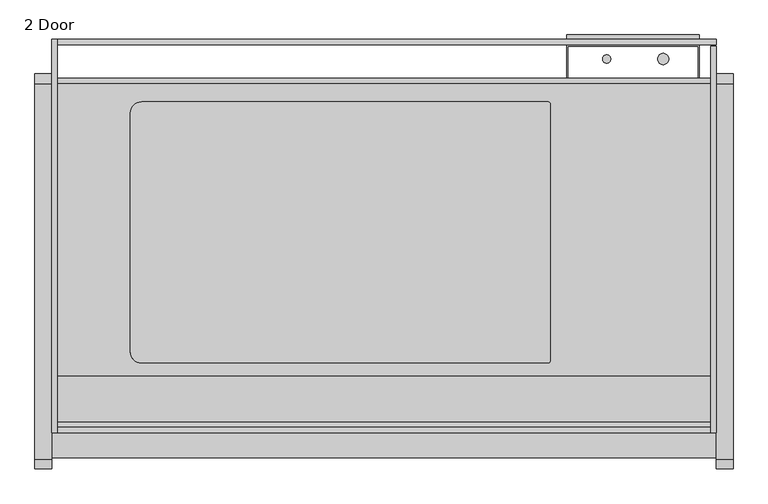
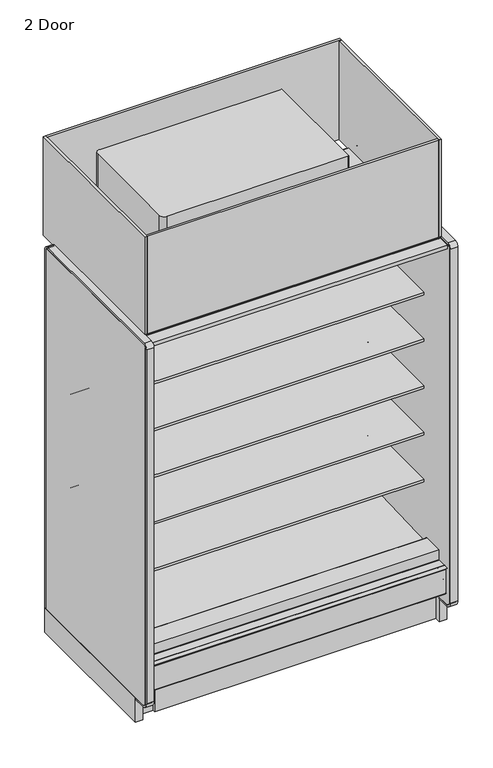
"""IFC4 building model written with IfcOpenShell, lengths in millimetres: proxy geometry, 2 Door."""

from ifc_helpers import new_model, si_unit, point, frame, frame_2d, origin, origin_with_axes, place, context, project, spatial, polyline, circle_curve, trimmed, segment, composite_curve, outline, extrude, source, transform, mapped, element, save


def proxy_2_door_96380830(model_context):
    return source(origin(), model_context, "Body", "SweptSolid", [
        extrude(outline(polyline([(-1104.6571273, 0.0), (-1117.3571273, 0.0), (-1117.3571273, 195.9867506), (-1104.6571273, 185.3301853), (-1104.6571273, 0.0)])), frame((76.2, 0.0, 0.0), z_axis=(1.0, 0.0, 0.0), x_axis=(0.0, 1.0, 0.0)), (0.0, 0.0, 1.0), 1447.8),
        extrude(outline(polyline([(-1076.9207723, 2007.1442562), (-1074.8612926, 2015.4043781), (-1036.8504523, 2005.9272112), (-1039.7781058, 1997.8835493), (-1076.9207723, 2007.1442562)])), frame((76.2, 0.0, 0.0), z_axis=(1.0, 0.0, 0.0), x_axis=(0.0, 1.0, 0.0)), (0.0, 0.0, 1.0), 1447.8),
        extrude(outline(polyline([(1524.0, -361.7071273), (1524.0, -1161.8071273), (0.0, -1161.8071273), (0.0, -361.7071273), (1524.0, -361.7071273)])), frame((0.0, 0.0, 2096.29375), z_axis=(0.0, 0.0, 1.0), x_axis=(1.0, 0.0, 0.0)), (0.0, 0.0, 1.0), 6.35),
        extrude(outline(composite_curve([segment(polyline([(180.975, -976.3814161), (180.975, -428.9752148)]), True, "CONTINUOUS"), segment(trimmed(circle_curve(frame_2d((206.375, -428.9752148)), 25.4), [point((180.975, -428.9752148))], [point((206.375, -403.5752148))], False, "CARTESIAN"), True, "CONTINUOUS"), segment(polyline([(206.375, -403.5752148), (1137.62536, -403.5752148)]), True, "CONTINUOUS"), segment(trimmed(circle_curve(frame_2d((1137.62536, -408.9498548)), 5.37464), [point((1137.62536, -403.5752148))], [point((1143.0, -408.9498548))], False, "CARTESIAN"), True, "CONTINUOUS"), segment(polyline([(1143.0, -408.9498548), (1143.0, -996.4067761)]), True, "CONTINUOUS"), segment(trimmed(circle_curve(frame_2d((1137.62536, -996.4067761)), 5.37464), [point((1143.0, -996.4067761))], [point((1137.62536, -1001.7814161))], False, "CARTESIAN"), True, "CONTINUOUS"), segment(polyline([(1137.62536, -1001.7814161), (206.375, -1001.7814161)]), True, "CONTINUOUS"), segment(trimmed(circle_curve(frame_2d((206.375, -976.3814161)), 25.4), [point((206.375, -1001.7814161))], [point((180.975, -976.3814161))], False, "CARTESIAN"), True, "CONTINUOUS")], self_intersect=False)), frame((0.0, 0.0, 2102.64375), z_axis=(0.0, 0.0, 1.0), x_axis=(1.0, 0.0, 0.0)), (0.0, 0.0, 1.0), 12.7),
        extrude(outline(composite_curve([segment(polyline([(180.975, -976.3814161), (180.975, -428.9752148)]), True, "CONTINUOUS"), segment(trimmed(circle_curve(frame_2d((206.375, -428.9752148)), 25.4), [point((180.975, -428.9752148))], [point((206.375, -403.5752148))], False, "CARTESIAN"), True, "CONTINUOUS"), segment(polyline([(206.375, -403.5752148), (1137.62536, -403.5752148)]), True, "CONTINUOUS"), segment(trimmed(circle_curve(frame_2d((1137.62536, -408.9498548)), 5.37464), [point((1137.62536, -403.5752148))], [point((1143.0, -408.9498548))], False, "CARTESIAN"), True, "CONTINUOUS"), segment(polyline([(1143.0, -408.9498548), (1143.0, -996.4067761)]), True, "CONTINUOUS"), segment(trimmed(circle_curve(frame_2d((1137.62536, -996.4067761)), 5.37464), [point((1143.0, -996.4067761))], [point((1137.62536, -1001.7814161))], False, "CARTESIAN"), True, "CONTINUOUS"), segment(polyline([(1137.62536, -1001.7814161), (206.375, -1001.7814161)]), True, "CONTINUOUS"), segment(trimmed(circle_curve(frame_2d((206.375, -976.3814161)), 25.4), [point((206.375, -1001.7814161))], [point((180.975, -976.3814161))], False, "CARTESIAN"), True, "CONTINUOUS")], self_intersect=False)), frame((0.0, 0.0, 2115.34375), z_axis=(0.0, 0.0, 1.0), x_axis=(1.0, 0.0, 0.0)), (0.0, 0.0, 1.0), 461.75168),
        extrude(outline(polyline([(1524.0, -275.6866697), (1524.0, -1161.8071273), (1511.3, -1161.8071273), (1511.3, -275.6866697), (1524.0, -275.6866697)])), frame((0.0, 0.0, 2096.29375), z_axis=(0.0, 0.0, 1.0), x_axis=(1.0, 0.0, 0.0)), (0.0, 0.0, 1.0), 535.78125),
        extrude(outline(polyline([(12.7, -260.1071273), (12.7, -1161.8071273), (0.0, -1161.8071273), (0.0, -260.1071273), (12.7, -260.1071273)])), frame((0.0, 0.0, 2096.29375), z_axis=(0.0, 0.0, 1.0), x_axis=(1.0, 0.0, 0.0)), (0.0, 0.0, 1.0), 535.78125),
        extrude(outline(polyline([(1524.0, -260.1071273), (1524.0, -272.8071273), (12.7, -272.8071273), (12.7, -260.1071273), (1524.0, -260.1071273)])), frame((0.0, 0.0, 2096.29375), z_axis=(0.0, 0.0, 1.0), x_axis=(1.0, 0.0, 0.0)), (0.0, 0.0, 1.0), 536.1572188),
        extrude(outline(composite_curve([segment(polyline([(-1032.1083773, 2096.29375), (-1161.8071273, 2096.29375), (-1161.8071273, 2632.075), (-1149.113193, 2632.075), (-1149.113193, 2133.6584688)]), True, "CONTINUOUS"), segment(trimmed(circle_curve(frame_2d((-1136.413193, 2133.6584688)), 12.7), [point((-1149.113193, 2133.6584688))], [point((-1136.413193, 2120.9584688))], True, "CARTESIAN"), True, "CONTINUOUS"), segment(polyline([(-1136.413193, 2120.9584688), (-1032.1083773, 2120.9584688), (-1032.1083773, 2096.29375)]), True, "CONTINUOUS")], self_intersect=False)), frame((12.7, 0.0, 0.0), z_axis=(1.0, 0.0, 0.0), x_axis=(0.0, 1.0, 0.0)), (0.0, 0.0, 1.0), 1511.3),
        extrude(outline(polyline([(-349.0071273, 129.3876), (-1037.9873503, 129.3876), (-1192.1324192, 258.7306705), (-1192.1324192, 300.7449388), (-1137.9651974, 300.7449388), (-1137.9651974, 283.9418925), (-1025.3654807, 189.4595117), (-1009.819944, 190.0023738), (-964.4677493, 157.1934642), (-899.9654388, 159.4459345), (-859.8822128, 192.9404113), (-399.8071273, 220.5904298), (-399.8071273, 2043.9583622), (-1134.8551873, 2043.9583622), (-1134.8551873, 2095.5), (-349.0071273, 2095.5), (-349.0071273, 129.3876)])), frame((0.0, 0.0, 0.0), z_axis=(1.0, 0.0, 0.0), x_axis=(0.0, 1.0, 0.0)), (0.0, 0.0, 1.0), 1524.0),
        extrude(outline(polyline([(-394.9429832, 0.0), (-394.9429832, 73.7380382), (-893.6212714, 73.7380382), (-893.6212714, 0.0), (-958.6071273, 0.0), (-958.6071273, 129.3876), (-349.0071273, 129.3876), (-349.0071273, 0.0), (-394.9429832, 0.0)])), frame((0.0, 0.0, 0.0), z_axis=(1.0, 0.0, 0.0), x_axis=(0.0, 1.0, 0.0)), (0.0, 0.0, 1.0), 1524.0),
        extrude(outline(composite_curve([segment(polyline([(-1219.271907, 334.0862), (-1192.8205273, 334.0862)]), True, "CONTINUOUS"), segment(trimmed(circle_curve(frame_2d((-1192.8205273, 332.1304)), 1.9558), [point((-1192.8205273, 334.0862))], [point((-1190.8647273, 332.1304))], False, "CARTESIAN"), True, "CONTINUOUS"), segment(polyline([(-1190.8647273, 332.1304), (-1190.8647273, 321.3862), (-1190.8647273, 300.7449388), (-1192.1324192, 300.7449388), (-1192.1324192, 321.3862), (-1192.1324192, 332.1304)]), True, "CONTINUOUS"), segment(trimmed(circle_curve(frame_2d((-1192.9198192, 332.1304)), 0.7874), [point((-1192.1324192, 332.1304))], [point((-1192.9198192, 332.9178))], True, "CARTESIAN"), True, "CONTINUOUS"), segment(polyline([(-1192.9198192, 332.9178), (-1219.271907, 332.9178), (-1219.271907, 334.0862)]), True, "CONTINUOUS")], self_intersect=False)), frame((0.0, 0.0, 0.0), z_axis=(1.0, 0.0, 0.0), x_axis=(0.0, 1.0, 0.0)), (0.0, 0.0, 1.0), 1524.0),
        extrude(outline(composite_curve([segment(polyline([(-1147.6832716, 221.4334071), (-1204.6262772, 188.5573475)]), True, "CONTINUOUS"), segment(trimmed(circle_curve(frame_2d((-1205.4517772, 189.9871554)), 1.651), [point((-1204.6262772, 188.5573475))], [point((-1207.1027772, 189.9871554))], False, "CARTESIAN"), True, "CONTINUOUS"), segment(polyline([(-1207.1027772, 189.9871554), (-1207.1027772, 191.5746554), (-1207.1027772, 320.4775395), (-1207.1027772, 322.0015395)]), True, "CONTINUOUS"), segment(trimmed(circle_curve(frame_2d((-1205.4517772, 322.0015395)), 1.651), [point((-1207.1027772, 322.0015395))], [point((-1205.4517772, 323.6525395))], False, "CARTESIAN"), True, "CONTINUOUS"), segment(polyline([(-1205.4517772, 323.6525395), (-1199.1652772, 323.6525395), (-1199.1652772, 322.7889395), (-1205.4517772, 322.7889395)]), True, "CONTINUOUS"), segment(trimmed(circle_curve(frame_2d((-1205.4517772, 322.0015395)), 0.7874), [point((-1205.4517772, 322.7889395))], [point((-1206.2391772, 322.0015395))], True, "CARTESIAN"), True, "CONTINUOUS"), segment(polyline([(-1206.2391772, 322.0015395), (-1206.2391772, 320.4775395), (-1206.2391772, 189.9871554)]), True, "CONTINUOUS"), segment(trimmed(circle_curve(frame_2d((-1205.4517772, 189.9871554)), 0.7874), [point((-1206.2391772, 189.9871554))], [point((-1205.0580772, 189.305247))], True, "CARTESIAN"), True, "CONTINUOUS"), segment(polyline([(-1205.0580772, 189.305247), (-1148.3872848, 222.0241443), (-1147.6832716, 221.4334071)]), True, "CONTINUOUS")], self_intersect=False)), frame((0.0, 0.0, 0.0), z_axis=(1.0, 0.0, 0.0), x_axis=(0.0, 1.0, 0.0)), (0.0, 0.0, 1.0), 1524.0),
        extrude(outline(composite_curve([segment(polyline([(-451.3116948, 591.1422184), (-462.4195871, 590.9259013)]), True, "CONTINUOUS"), segment(trimmed(circle_curve(frame_2d((-462.9075328, 615.9819291)), 25.0607786), [point((-462.4195871, 590.9259013))], [point((-478.8148554, 596.6170199))], False, "CARTESIAN"), True, "CONTINUOUS"), segment(polyline([(-478.8148554, 596.6170199), (-517.036556, 627.7002885)]), True, "CONTINUOUS"), segment(trimmed(circle_curve(frame_2d((-557.1010291, 578.4348036)), 63.5), [point((-517.036556, 627.7002885))], [point((-550.2480196, 641.5639274))], True, "CARTESIAN"), True, "CONTINUOUS"), segment(polyline([(-550.2480196, 641.5639274), (-889.6556929, 674.1744175), (-889.6556929, 678.4587439), (-1010.0816513, 678.4587439), (-1010.0816513, 691.9524939), (-451.3116948, 691.9524939), (-451.3116948, 591.1422184)]), True, "CONTINUOUS")], self_intersect=False)), frame((0.0, 0.0, 0.0), z_axis=(1.0, 0.0, 0.0), x_axis=(0.0, 1.0, 0.0)), (0.0, 0.0, 1.0), 1524.0),
        extrude(outline(composite_curve([segment(polyline([(-451.3116948, 845.1422184), (-462.4195871, 844.9259013)]), True, "CONTINUOUS"), segment(trimmed(circle_curve(frame_2d((-462.9075328, 869.9819291)), 25.0607786), [point((-462.4195871, 844.9259013))], [point((-478.8148554, 850.6170199))], False, "CARTESIAN"), True, "CONTINUOUS"), segment(polyline([(-478.8148554, 850.6170199), (-517.036556, 881.7002885)]), True, "CONTINUOUS"), segment(trimmed(circle_curve(frame_2d((-557.1010291, 832.4348036)), 63.5), [point((-517.036556, 881.7002885))], [point((-550.2480196, 895.5639274))], True, "CARTESIAN"), True, "CONTINUOUS"), segment(polyline([(-550.2480196, 895.5639274), (-889.6556929, 928.1744175), (-889.6556929, 932.4587439), (-1010.0816513, 932.4587439), (-1010.0816513, 945.9524939), (-451.3116948, 945.9524939), (-451.3116948, 845.1422184)]), True, "CONTINUOUS")], self_intersect=False)), frame((0.0, 0.0, 0.0), z_axis=(1.0, 0.0, 0.0), x_axis=(0.0, 1.0, 0.0)), (0.0, 0.0, 1.0), 1524.0),
        extrude(outline(composite_curve([segment(polyline([(-451.3116948, 1099.1422184), (-462.4195871, 1098.9259013)]), True, "CONTINUOUS"), segment(trimmed(circle_curve(frame_2d((-462.9075328, 1123.9819291)), 25.0607786), [point((-462.4195871, 1098.9259013))], [point((-478.8148554, 1104.6170199))], False, "CARTESIAN"), True, "CONTINUOUS"), segment(polyline([(-478.8148554, 1104.6170199), (-517.036556, 1135.7002885)]), True, "CONTINUOUS"), segment(trimmed(circle_curve(frame_2d((-557.1010291, 1086.4348036)), 63.5), [point((-517.036556, 1135.7002885))], [point((-550.2480196, 1149.5639274))], True, "CARTESIAN"), True, "CONTINUOUS"), segment(polyline([(-550.2480196, 1149.5639274), (-889.6556929, 1182.1744175), (-889.6556929, 1186.4587439), (-1010.0816513, 1186.4587439), (-1010.0816513, 1199.9524939), (-451.3116948, 1199.9524939), (-451.3116948, 1099.1422184)]), True, "CONTINUOUS")], self_intersect=False)), frame((0.0, 0.0, 0.0), z_axis=(1.0, 0.0, 0.0), x_axis=(0.0, 1.0, 0.0)), (0.0, 0.0, 1.0), 1524.0),
        extrude(outline(composite_curve([segment(polyline([(-451.3116948, 1353.1422184), (-462.4195871, 1352.9259013)]), True, "CONTINUOUS"), segment(trimmed(circle_curve(frame_2d((-462.9075328, 1377.9819291)), 25.0607786), [point((-462.4195871, 1352.9259013))], [point((-478.8148554, 1358.6170199))], False, "CARTESIAN"), True, "CONTINUOUS"), segment(polyline([(-478.8148554, 1358.6170199), (-517.036556, 1389.7002885)]), True, "CONTINUOUS"), segment(trimmed(circle_curve(frame_2d((-557.1010291, 1340.4348036)), 63.5), [point((-517.036556, 1389.7002885))], [point((-550.2480196, 1403.5639274))], True, "CARTESIAN"), True, "CONTINUOUS"), segment(polyline([(-550.2480196, 1403.5639274), (-889.6556929, 1436.1744175), (-889.6556929, 1440.4587439), (-1010.0816513, 1440.4587439), (-1010.0816513, 1453.9524939), (-451.3116948, 1453.9524939), (-451.3116948, 1353.1422184)]), True, "CONTINUOUS")], self_intersect=False)), frame((0.0, 0.0, 0.0), z_axis=(1.0, 0.0, 0.0), x_axis=(0.0, 1.0, 0.0)), (0.0, 0.0, 1.0), 1524.0),
        extrude(outline(polyline([(-1218.7163962, 2070.8112), (-1218.7163962, 2089.15), (-1134.8551873, 2089.15), (-1134.8551873, 2043.9583622), (-1147.784197, 2043.9583622), (-1147.784197, 2070.8112), (-1218.7163962, 2070.8112)])), frame((0.0, 0.0, 0.0), z_axis=(1.0, 0.0, 0.0), x_axis=(0.0, 1.0, 0.0)), (0.0, 0.0, 1.0), 1524.0),
        extrude(outline(polyline([(-1147.784197, 334.0862), (-1141.434197, 334.0862), (-1141.434197, 302.7473029), (-1141.434197, 300.7449388), (-1190.8639311, 300.7449388), (-1190.8657083, 334.0862), (-1147.784197, 334.0862)])), frame((0.0, 0.0, 0.0), z_axis=(1.0, 0.0, 0.0), x_axis=(0.0, 1.0, 0.0)), (0.0, 0.0, 1.0), 1524.0),
        extrude(outline(composite_curve([segment(polyline([(-451.3116948, 1607.1422184), (-462.4195871, 1606.9259013)]), True, "CONTINUOUS"), segment(trimmed(circle_curve(frame_2d((-462.9075328, 1631.9819291)), 25.0607786), [point((-462.4195871, 1606.9259013))], [point((-478.8148554, 1612.6170199))], False, "CARTESIAN"), True, "CONTINUOUS"), segment(polyline([(-478.8148554, 1612.6170199), (-517.036556, 1643.7002885)]), True, "CONTINUOUS"), segment(trimmed(circle_curve(frame_2d((-557.1010291, 1594.4348036)), 63.5), [point((-517.036556, 1643.7002885))], [point((-550.2480196, 1657.5639274))], True, "CARTESIAN"), True, "CONTINUOUS"), segment(polyline([(-550.2480196, 1657.5639274), (-889.6556929, 1690.1744175), (-889.6556929, 1694.4587439), (-1010.1116948, 1694.4587439), (-1010.1116948, 1707.9524939), (-451.3116948, 1707.9524939), (-451.3116948, 1607.1422184)]), True, "CONTINUOUS")], self_intersect=False)), frame((0.0, 0.0, 0.0), z_axis=(1.0, 0.0, 0.0), x_axis=(0.0, 1.0, 0.0)), (0.0, 0.0, 1.0), 1524.0),
        extrude(outline(polyline([(-567.2562782, 2018.5249991), (-1017.6292833, 2018.5249991), (-1036.9661273, 1995.0715709), (-1041.9696546, 1996.3190903), (-1041.4741571, 1998.3064224), (-1039.7781058, 1997.8835493), (-1021.8347672, 2018.5249991), (-1076.9207723, 2018.5249991), (-1076.9207723, 2007.1442562), (-1074.5967475, 2006.5648117), (-1075.092245, 2004.5774796), (-1080.0957723, 2005.8249991), (-1080.0957723, 2018.5249991), (-1089.6692942, 2018.5249991), (-1089.6692942, 2034.8268848), (-1102.3692942, 2034.8268848), (-1102.3692942, 2043.9583622), (-399.8071273, 2043.9583622), (-399.8071273, 300.7449388), (-451.3116948, 300.7449388), (-451.3116948, 2018.5249991), (-567.2562782, 2018.5249991)])), frame((0.0, 0.0, 0.0), z_axis=(1.0, 0.0, 0.0), x_axis=(0.0, 1.0, 0.0)), (0.0, 0.0, 1.0), 1524.0),
        extrude(outline(composite_curve([segment(polyline([(-549.102044, 376.9132463), (-549.102044, 389.995836), (-476.8468712, 389.995836), (-476.8468712, 399.2749991), (-451.3116948, 399.2749991), (-451.3116948, 380.470836), (-451.3116948, 300.7449388), (-399.8071273, 300.7449388), (-399.8071273, 220.5904298), (-859.8822128, 192.9404113), (-899.9654388, 159.4459345), (-964.4677493, 157.1934642), (-1009.819944, 190.0023738), (-1025.3654807, 189.4595117), (-1137.9651974, 283.9418925), (-1137.9651974, 300.7449388), (-1141.434197, 300.7449388), (-1141.434197, 388.7420495), (-1036.9661273, 388.7420495)]), True, "CONTINUOUS"), segment(trimmed(circle_curve(frame_2d((-1036.9661273, 386.6846495)), 2.0574), [point((-1036.9661273, 388.7420495))], [point((-1034.9087273, 386.6846495))], False, "CARTESIAN"), True, "CONTINUOUS"), segment(polyline([(-1034.9087273, 386.6846495), (-1034.9087273, 358.7683558), (-549.102044, 376.9132463)]), True, "CONTINUOUS")], self_intersect=False)), frame((0.0, 0.0, 0.0), z_axis=(1.0, 0.0, 0.0), x_axis=(0.0, 1.0, 0.0)), (0.0, 0.0, 1.0), 1524.0),
        extrude(outline(composite_curve([segment(trimmed(circle_curve(frame_2d((1401.8082444, -305.1108756)), 12.7), [point((1389.1082444, -305.1108756))], [point((1414.5082444, -305.1108756))], False, "CARTESIAN"), True, "CONTINUOUS"), segment(trimmed(circle_curve(frame_2d((1401.8082444, -305.1108756)), 12.7), [point((1414.5082444, -305.1108756))], [point((1389.1082444, -305.1108756))], False, "CARTESIAN"), True, "CONTINUOUS")], self_intersect=False)), frame((0.0, 0.0, 1138.0399939), z_axis=(0.0, 0.0, 1.0), x_axis=(1.0, 0.0, 0.0)), (0.0, 0.0, 1.0), 554.8039204),
        extrude(outline(composite_curve([segment(trimmed(circle_curve(frame_2d((1272.38125, -305.1108756)), 9.525), [point((1262.85625, -305.1108756))], [point((1281.90625, -305.1108756))], False, "CARTESIAN"), True, "CONTINUOUS"), segment(trimmed(circle_curve(frame_2d((1272.38125, -305.1108756)), 9.525), [point((1281.90625, -305.1108756))], [point((1262.85625, -305.1108756))], False, "CARTESIAN"), True, "CONTINUOUS")], self_intersect=False)), frame((0.0, 0.0, 1138.0399939), z_axis=(0.0, 0.0, 1.0), x_axis=(1.0, 0.0, 0.0)), (0.0, 0.0, 1.0), 554.8039204),
        extrude(outline(composite_curve([segment(polyline([(-349.0071273, 133.35), (-1209.4321273, 133.35)]), True, "CONTINUOUS"), segment(trimmed(circle_curve(frame_2d((-1209.4321273, 158.75)), 25.4), [point((-1209.4321273, 133.35))], [point((-1234.8321273, 158.75))], False, "CARTESIAN"), True, "CONTINUOUS"), segment(polyline([(-1234.8321273, 158.75), (-1234.8321273, 2082.8)]), True, "CONTINUOUS"), segment(trimmed(circle_curve(frame_2d((-1222.1321273, 2082.8)), 12.7), [point((-1234.8321273, 2082.8))], [point((-1222.1321273, 2095.5))], False, "CARTESIAN"), True, "CONTINUOUS"), segment(polyline([(-1222.1321273, 2095.5), (-361.7071273, 2095.5)]), True, "CONTINUOUS"), segment(trimmed(circle_curve(frame_2d((-361.7071273, 2082.8)), 12.7), [point((-361.7071273, 2095.5))], [point((-349.0071273, 2082.8))], False, "CARTESIAN"), True, "CONTINUOUS"), segment(polyline([(-349.0071273, 2082.8), (-349.0071273, 133.35)]), True, "CONTINUOUS")], self_intersect=False)), frame((1524.0, 0.0, 0.0), z_axis=(1.0, 0.0, 0.0), x_axis=(0.0, 1.0, 0.0)), (0.0, 0.0, 1.0), 38.1),
        extrude(outline(composite_curve([segment(polyline([(-349.0071273, 133.35), (-349.0071273, 2082.8)]), True, "CONTINUOUS"), segment(trimmed(circle_curve(frame_2d((-361.7071273, 2082.8)), 12.7), [point((-349.0071273, 2082.8))], [point((-361.7071273, 2095.5))], True, "CARTESIAN"), True, "CONTINUOUS"), segment(polyline([(-361.7071273, 2095.5), (-1222.1321273, 2095.5)]), True, "CONTINUOUS"), segment(trimmed(circle_curve(frame_2d((-1222.1321273, 2082.8)), 12.7), [point((-1222.1321273, 2095.5))], [point((-1234.8321273, 2082.8))], True, "CARTESIAN"), True, "CONTINUOUS"), segment(polyline([(-1234.8321273, 2082.8), (-1234.8321273, 158.75)]), True, "CONTINUOUS"), segment(trimmed(circle_curve(frame_2d((-1209.4321273, 158.75)), 25.4), [point((-1234.8321273, 158.75))], [point((-1209.4321273, 133.35))], True, "CARTESIAN"), True, "CONTINUOUS"), segment(polyline([(-1209.4321273, 133.35), (-1145.9321273, 133.35), (-1145.9321273, 123.825), (-1209.4321273, 123.825)]), True, "CONTINUOUS"), segment(trimmed(circle_curve(frame_2d((-1209.4321273, 158.75)), 34.925), [point((-1209.4321273, 123.825))], [point((-1244.3571273, 158.75))], False, "CARTESIAN"), True, "CONTINUOUS"), segment(polyline([(-1244.3571273, 158.75), (-1244.3571273, 2082.8)]), True, "CONTINUOUS"), segment(trimmed(circle_curve(frame_2d((-1222.1321273, 2082.8)), 22.225), [point((-1244.3571273, 2082.8))], [point((-1222.1321273, 2105.025))], False, "CARTESIAN"), True, "CONTINUOUS"), segment(polyline([(-1222.1321273, 2105.025), (-361.7071273, 2105.025)]), True, "CONTINUOUS"), segment(trimmed(circle_curve(frame_2d((-361.7071273, 2082.8)), 22.225), [point((-361.7071273, 2105.025))], [point((-339.4821273, 2082.8))], False, "CARTESIAN"), True, "CONTINUOUS"), segment(polyline([(-339.4821273, 2082.8), (-339.4821273, 133.35), (-349.0071273, 133.35)]), True, "CONTINUOUS")], self_intersect=False)), frame((1524.0, 0.0, 0.0), z_axis=(1.0, 0.0, 0.0), x_axis=(0.0, 1.0, 0.0)), (0.0, 0.0, 1.0), 38.1),
        extrude(outline(polyline([(1485.10625, -250.0454628), (1485.10625, -349.0071273), (1481.93125, -349.0071273), (1481.93125, -275.6866697), (1183.48125, -275.6866697), (1183.48125, -349.0071273), (1180.30625, -349.0071273), (1180.30625, -250.0454628), (1485.10625, -250.0454628)])), frame((0.0, 0.0, 193.7512), z_axis=(0.0, 0.0, 1.0), x_axis=(1.0, 0.0, 0.0)), (0.0, 0.0, 1.0), 1438.7950439),
        extrude(outline(composite_curve([segment(polyline([(-349.0071273, 133.35), (-1209.4321273, 133.35)]), True, "CONTINUOUS"), segment(trimmed(circle_curve(frame_2d((-1209.4321273, 158.75)), 25.4), [point((-1209.4321273, 133.35))], [point((-1234.8321273, 158.75))], False, "CARTESIAN"), True, "CONTINUOUS"), segment(polyline([(-1234.8321273, 158.75), (-1234.8321273, 2082.8)]), True, "CONTINUOUS"), segment(trimmed(circle_curve(frame_2d((-1222.1321273, 2082.8)), 12.7), [point((-1234.8321273, 2082.8))], [point((-1222.1321273, 2095.5))], False, "CARTESIAN"), True, "CONTINUOUS"), segment(polyline([(-1222.1321273, 2095.5), (-361.7071273, 2095.5)]), True, "CONTINUOUS"), segment(trimmed(circle_curve(frame_2d((-361.7071273, 2082.8)), 12.7), [point((-361.7071273, 2095.5))], [point((-349.0071273, 2082.8))], False, "CARTESIAN"), True, "CONTINUOUS"), segment(polyline([(-349.0071273, 2082.8), (-349.0071273, 133.35)]), True, "CONTINUOUS")], self_intersect=False)), frame((-38.1, 0.0, 0.0), z_axis=(1.0, 0.0, 0.0), x_axis=(0.0, 1.0, 0.0)), (0.0, 0.0, 1.0), 38.1),
        extrude(outline(composite_curve([segment(polyline([(-349.0071273, 133.35), (-349.0071273, 2082.8)]), True, "CONTINUOUS"), segment(trimmed(circle_curve(frame_2d((-361.7071273, 2082.8)), 12.7), [point((-349.0071273, 2082.8))], [point((-361.7071273, 2095.5))], True, "CARTESIAN"), True, "CONTINUOUS"), segment(polyline([(-361.7071273, 2095.5), (-1222.1321273, 2095.5)]), True, "CONTINUOUS"), segment(trimmed(circle_curve(frame_2d((-1222.1321273, 2082.8)), 12.7), [point((-1222.1321273, 2095.5))], [point((-1234.8321273, 2082.8))], True, "CARTESIAN"), True, "CONTINUOUS"), segment(polyline([(-1234.8321273, 2082.8), (-1234.8321273, 158.75)]), True, "CONTINUOUS"), segment(trimmed(circle_curve(frame_2d((-1209.4321273, 158.75)), 25.4), [point((-1234.8321273, 158.75))], [point((-1209.4321273, 133.35))], True, "CARTESIAN"), True, "CONTINUOUS"), segment(polyline([(-1209.4321273, 133.35), (-1145.9321273, 133.35), (-1145.9321273, 123.825), (-1209.4321273, 123.825)]), True, "CONTINUOUS"), segment(trimmed(circle_curve(frame_2d((-1209.4321273, 158.75)), 34.925), [point((-1209.4321273, 123.825))], [point((-1244.3571273, 158.75))], False, "CARTESIAN"), True, "CONTINUOUS"), segment(polyline([(-1244.3571273, 158.75), (-1244.3571273, 2082.8)]), True, "CONTINUOUS"), segment(trimmed(circle_curve(frame_2d((-1222.1321273, 2082.8)), 22.225), [point((-1244.3571273, 2082.8))], [point((-1222.1321273, 2105.025))], False, "CARTESIAN"), True, "CONTINUOUS"), segment(polyline([(-1222.1321273, 2105.025), (-361.7071273, 2105.025)]), True, "CONTINUOUS"), segment(trimmed(circle_curve(frame_2d((-361.7071273, 2082.8)), 22.225), [point((-361.7071273, 2105.025))], [point((-339.4821273, 2082.8))], False, "CARTESIAN"), True, "CONTINUOUS"), segment(polyline([(-339.4821273, 2082.8), (-339.4821273, 133.35), (-349.0071273, 133.35)]), True, "CONTINUOUS")], self_intersect=False)), frame((-38.1, 0.0, 0.0), z_axis=(1.0, 0.0, 0.0), x_axis=(0.0, 1.0, 0.0)), (0.0, 0.0, 1.0), 38.1),
        extrude(outline(polyline([(0.0, -339.4821273), (0.0, -1145.9321273), (-38.1, -1145.9321273), (-38.1, -339.4821273), (0.0, -339.4821273)])), origin_with_axes(), (0.0, 0.0, 1.0), 133.35),
        extrude(outline(polyline([(1562.1, -339.4821273), (1562.1, -1145.9321273), (1524.0, -1145.9321273), (1524.0, -339.4821273), (1562.1, -339.4821273)])), origin_with_axes(), (0.0, 0.0, 1.0), 133.35),
        extrude(outline(polyline([(105.5601284, -735.1975818), (397.6601284, -735.1975818), (397.6601284, -986.5952905), (105.5601284, -986.5952905), (105.5601284, -735.1975818)])), frame((0.0, 0.0, 95.25), z_axis=(0.0, 0.0, 1.0), x_axis=(1.0, 0.0, 0.0)), (0.0, 0.0, 1.0), 6.35),
        extrude(outline(composite_curve([segment(trimmed(circle_curve(frame_2d((762.0, -968.1321273)), 38.1), [point((723.9, -968.1321273))], [point((800.1, -968.1321273))], False, "CARTESIAN"), True, "CONTINUOUS"), segment(trimmed(circle_curve(frame_2d((762.0, -968.1321273)), 38.1), [point((800.1, -968.1321273))], [point((723.9, -968.1321273))], False, "CARTESIAN"), True, "CONTINUOUS")], self_intersect=False)), origin_with_axes(), (0.0, 0.0, 1.0), 101.6),
        extrude(outline(polyline([(-1104.6571273, 0.0), (-1104.6571273, 185.3301853), (-1037.9873503, 129.3876), (-958.6071273, 129.3876), (-958.6071273, 0.0), (-1104.6571273, 0.0)])), frame((0.0, 0.0, 0.0), z_axis=(1.0, 0.0, 0.0), x_axis=(0.0, 1.0, 0.0)), (0.0, 0.0, 1.0), 1524.0),
    ])


if __name__ == "__main__":
    model = new_model("IFC4")
    model_context = context("Model", 3, world=origin())
    ifc_project = project(units=[si_unit("LENGTHUNIT", "METRE", prefix="MILLI")], contexts=[model_context])
    site = spatial("IfcSite", under=ifc_project)
    building = spatial("IfcBuilding", under=site)
    placement = place(None, origin())
    proxy_2_door_shape = proxy_2_door_96380830(model_context)
    element("IfcBuildingElementProxy", 1, Name="2 Door", ObjectType="2 Door", at=placement, inside=building, context=model_context, shape_type="MappedRepresentation", body=[
        mapped(proxy_2_door_shape, transform((0.0, 0.0, 0.0), x_axis=(1.0, 0.0, 0.0), y_axis=(0.0, 1.0, 0.0), z_axis=(0.0, 0.0, 1.0))),
    ])
    save(model, "model.ifc")
